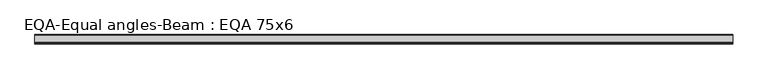
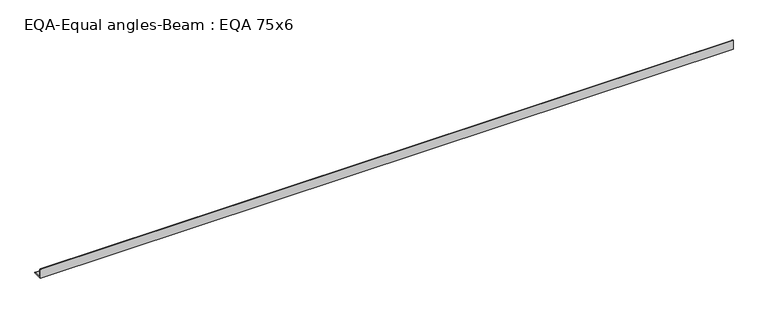
"""IFC4 building model written with IfcOpenShell, lengths in millimetres: beam geometry, EQA-Equal angles-Beam : EQA 75x6."""

from ifc_helpers import new_model, si_unit, point, frame, frame_2d, origin, place, context, project, spatial, polyline, circle_curve, trimmed, segment, composite_curve, outline, extrude, source, transform, mapped, element, save


def eqa_equal_angles_beam_eqa_75x6_6a2dce15(model_context):
    return source(origin(), model_context, "Body", "SweptSolid", [
        extrude(outline(composite_curve([segment(polyline([(-20.5, -20.5), (-20.5, 54.5), (-19.0, 54.5)]), True, "CONTINUOUS"), segment(trimmed(circle_curve(frame_2d((-19.0, 50.0)), 4.5), [point((-19.0, 54.5))], [point((-14.5, 50.0))], False, "CARTESIAN"), True, "CONTINUOUS"), segment(polyline([(-14.5, 50.0), (-14.5, -5.5)]), True, "CONTINUOUS"), segment(trimmed(circle_curve(frame_2d((-5.5, -5.5)), 9.0), [point((-14.5, -5.5))], [point((-5.5, -14.5))], True, "CARTESIAN"), True, "CONTINUOUS"), segment(polyline([(-5.5, -14.5), (50.0, -14.5)]), True, "CONTINUOUS"), segment(trimmed(circle_curve(frame_2d((50.0, -19.0)), 4.5), [point((50.0, -14.5))], [point((54.5, -19.0))], False, "CARTESIAN"), True, "CONTINUOUS"), segment(polyline([(54.5, -19.0), (54.5, -20.5), (-20.5, -20.5)]), True, "CONTINUOUS")], self_intersect=False)), frame((-2751.714286, 0.0, 0.0), z_axis=(1.0, 0.0, 0.0), x_axis=(0.0, 1.0, 0.0)), (0.0, 0.0, 1.0), 5561.1925719),
    ])


if __name__ == "__main__":
    model = new_model("IFC4")
    model_context = context("Model", 3, world=origin())
    ifc_project = project(units=[si_unit("LENGTHUNIT", "METRE", prefix="MILLI")], contexts=[model_context])
    site = spatial("IfcSite", under=ifc_project)
    building = spatial("IfcBuilding", under=site)
    placement = place(None, origin())
    eqa_equal_angles_beam_eqa_75x6_shape = eqa_equal_angles_beam_eqa_75x6_6a2dce15(model_context)
    element("IfcBeam", 1, ObjectType="EQA-Equal angles-Beam : EQA 75x6", at=placement, inside=building, context=model_context, shape_type="MappedRepresentation", body=[
        mapped(eqa_equal_angles_beam_eqa_75x6_shape, transform((0.0, 0.0, 0.0), x_axis=(1.0, 0.0, 0.0), y_axis=(0.0, 1.0, 0.0), z_axis=(0.0, 0.0, 1.0))),
    ])
    save(model, "model.ifc")
